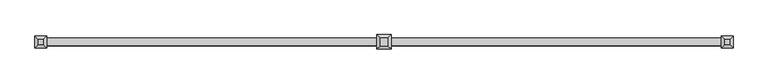
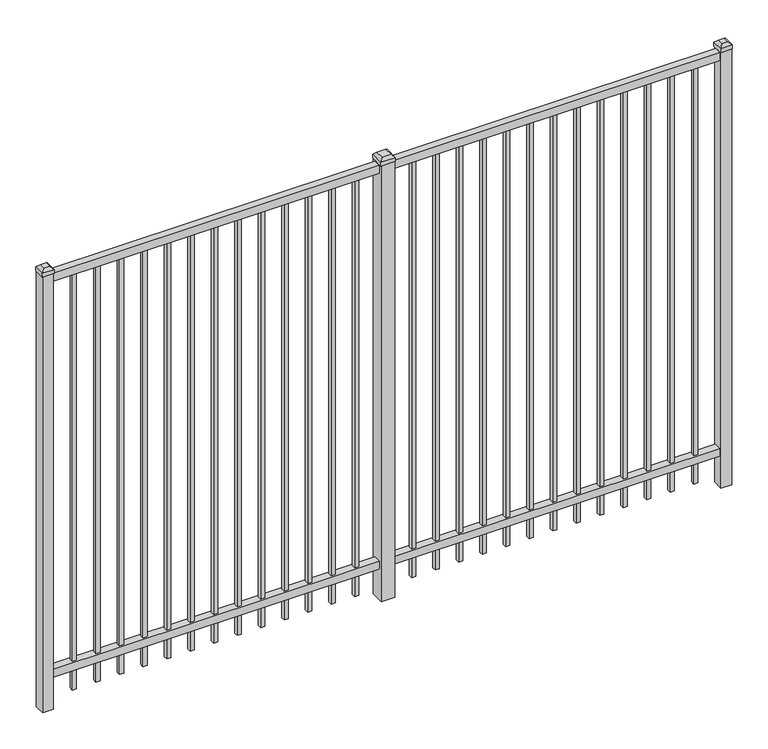
"""IFC4 building model written with IfcOpenShell, lengths in millimetres: railing geometry."""

from ifc_helpers import new_model, si_unit, frame, origin, origin_with_axes, place, context, project, spatial, polyline, outline, extrude, faceted_brep, source, transform, mapped, element, save


def railing_82e2c867(model_context):
    return source(origin(), model_context, "Body", "SolidModel", [
        extrude(outline(polyline([(-61345.318087, 5443.2804826), (-61345.318087, 5478.2054826), (-58195.718087, 5478.2054826), (-58195.718087, 5443.2804826), (-61345.318087, 5443.2804826)])), frame((0.0, 0.0, 2095.5), z_axis=(0.0, 0.0, 1.0), x_axis=(1.0, 0.0, 0.0)), (0.0, 0.0, 1.0), 38.1),
        extrude(outline(polyline([(-61345.318087, 5443.2804826), (-61345.318087, 5478.2054826), (-58195.718087, 5478.2054826), (-58195.718087, 5443.2804826), (-61345.318087, 5443.2804826)])), frame((0.0, 0.0, 152.4), z_axis=(0.0, 0.0, 1.0), x_axis=(1.0, 0.0, 0.0)), (0.0, 0.0, 1.0), 38.1),
        extrude(outline(polyline([(-58427.2285036, 5470.2679826), (-58427.2285036, 5451.2179826), (-58446.2785036, 5451.2179826), (-58446.2785036, 5470.2679826), (-58427.2285036, 5470.2679826)])), frame((0.0, 0.0, 50.8), z_axis=(0.0, 0.0, 1.0), x_axis=(1.0, 0.0, 0.0)), (0.0, 0.0, 1.0), 2044.7),
        extrude(outline(polyline([(-58536.5014203, 5470.2679826), (-58536.5014203, 5451.2179826), (-58555.5514203, 5451.2179826), (-58555.5514203, 5470.2679826), (-58536.5014203, 5470.2679826)])), frame((0.0, 0.0, 50.8), z_axis=(0.0, 0.0, 1.0), x_axis=(1.0, 0.0, 0.0)), (0.0, 0.0, 1.0), 2044.7),
        extrude(outline(polyline([(-58645.774337, 5470.2679826), (-58645.774337, 5451.2179826), (-58664.824337, 5451.2179826), (-58664.824337, 5470.2679826), (-58645.774337, 5470.2679826)])), frame((0.0, 0.0, 50.8), z_axis=(0.0, 0.0, 1.0), x_axis=(1.0, 0.0, 0.0)), (0.0, 0.0, 1.0), 2044.7),
        extrude(outline(polyline([(-58755.0472536, 5470.2679826), (-58755.0472536, 5451.2179826), (-58774.0972536, 5451.2179826), (-58774.0972536, 5470.2679826), (-58755.0472536, 5470.2679826)])), frame((0.0, 0.0, 50.8), z_axis=(0.0, 0.0, 1.0), x_axis=(1.0, 0.0, 0.0)), (0.0, 0.0, 1.0), 2044.7),
        extrude(outline(polyline([(-58864.3201703, 5470.2679826), (-58864.3201703, 5451.2179826), (-58883.3701703, 5451.2179826), (-58883.3701703, 5470.2679826), (-58864.3201703, 5470.2679826)])), frame((0.0, 0.0, 50.8), z_axis=(0.0, 0.0, 1.0), x_axis=(1.0, 0.0, 0.0)), (0.0, 0.0, 1.0), 2044.7),
        extrude(outline(polyline([(-58973.593087, 5470.2679826), (-58973.593087, 5451.2179826), (-58992.643087, 5451.2179826), (-58992.643087, 5470.2679826), (-58973.593087, 5470.2679826)])), frame((0.0, 0.0, 50.8), z_axis=(0.0, 0.0, 1.0), x_axis=(1.0, 0.0, 0.0)), (0.0, 0.0, 1.0), 2044.7),
        extrude(outline(polyline([(-59082.8660036, 5470.2679826), (-59082.8660036, 5451.2179826), (-59101.9160036, 5451.2179826), (-59101.9160036, 5470.2679826), (-59082.8660036, 5470.2679826)])), frame((0.0, 0.0, 50.8), z_axis=(0.0, 0.0, 1.0), x_axis=(1.0, 0.0, 0.0)), (0.0, 0.0, 1.0), 2044.7),
        extrude(outline(polyline([(-59192.1389203, 5470.2679826), (-59192.1389203, 5451.2179826), (-59211.1889203, 5451.2179826), (-59211.1889203, 5470.2679826), (-59192.1389203, 5470.2679826)])), frame((0.0, 0.0, 50.8), z_axis=(0.0, 0.0, 1.0), x_axis=(1.0, 0.0, 0.0)), (0.0, 0.0, 1.0), 2044.7),
        extrude(outline(polyline([(-59301.411837, 5470.2679826), (-59301.411837, 5451.2179826), (-59320.461837, 5451.2179826), (-59320.461837, 5470.2679826), (-59301.411837, 5470.2679826)])), frame((0.0, 0.0, 50.8), z_axis=(0.0, 0.0, 1.0), x_axis=(1.0, 0.0, 0.0)), (0.0, 0.0, 1.0), 2044.7),
        extrude(outline(polyline([(-59410.6847536, 5470.2679826), (-59410.6847536, 5451.2179826), (-59429.7347536, 5451.2179826), (-59429.7347536, 5470.2679826), (-59410.6847536, 5470.2679826)])), frame((0.0, 0.0, 50.8), z_axis=(0.0, 0.0, 1.0), x_axis=(1.0, 0.0, 0.0)), (0.0, 0.0, 1.0), 2044.7),
        extrude(outline(polyline([(-59519.9576703, 5470.2679826), (-59519.9576703, 5451.2179826), (-59539.0076703, 5451.2179826), (-59539.0076703, 5470.2679826), (-59519.9576703, 5470.2679826)])), frame((0.0, 0.0, 50.8), z_axis=(0.0, 0.0, 1.0), x_axis=(1.0, 0.0, 0.0)), (0.0, 0.0, 1.0), 2044.7),
        extrude(outline(polyline([(-58317.955587, 5470.2679826), (-58317.955587, 5451.2179826), (-58337.005587, 5451.2179826), (-58337.005587, 5470.2679826), (-58317.955587, 5470.2679826)])), frame((0.0, 0.0, 50.8), z_axis=(0.0, 0.0, 1.0), x_axis=(1.0, 0.0, 0.0)), (0.0, 0.0, 1.0), 2044.7),
        extrude(outline(polyline([(-59629.230587, 5470.2679826), (-59629.230587, 5451.2179826), (-59648.280587, 5451.2179826), (-59648.280587, 5470.2679826), (-59629.230587, 5470.2679826)])), frame((0.0, 0.0, 50.8), z_axis=(0.0, 0.0, 1.0), x_axis=(1.0, 0.0, 0.0)), (0.0, 0.0, 1.0), 2044.7),
        extrude(outline(polyline([(-59738.768087, 5492.4929826), (-59738.768087, 5428.9929826), (-59802.268087, 5428.9929826), (-59802.268087, 5492.4929826), (-59738.768087, 5492.4929826)])), origin_with_axes(), (0.0, 0.0, 1.0), 2139.95),
        faceted_brep([(-59803.855587, 5494.0804826, 2159.0), (-59803.855587, 5494.0804826, 2139.95), (-59803.855587, 5427.4054826, 2139.95), (-59803.855587, 5427.4054826, 2159.0), (-59791.155587, 5481.3804826, 2171.7), (-59791.155587, 5440.1054826, 2171.7), (-59737.180587, 5427.4054826, 2139.95), (-59737.180587, 5427.4054826, 2159.0), (-59749.880587, 5440.1054826, 2171.7), (-59737.180587, 5494.0804826, 2139.95), (-59737.180587, 5494.0804826, 2159.0), (-59749.880587, 5481.3804826, 2171.7)], [[[0, 1, 2, 3]], [[4, 0, 3, 5]], [[3, 2, 6, 7]], [[5, 3, 7, 8]], [[7, 6, 9, 10]], [[8, 7, 10, 11]], [[10, 9, 1, 0]], [[11, 10, 0, 4]], [[5, 8, 11, 4]], [[1, 9, 6, 2]]]),
        extrude(outline(polyline([(-60002.0285036, 5470.2679826), (-60002.0285036, 5451.2179826), (-60021.0785036, 5451.2179826), (-60021.0785036, 5470.2679826), (-60002.0285036, 5470.2679826)])), frame((0.0, 0.0, 50.8), z_axis=(0.0, 0.0, 1.0), x_axis=(1.0, 0.0, 0.0)), (0.0, 0.0, 1.0), 2044.7),
        extrude(outline(polyline([(-60111.3014203, 5470.2679826), (-60111.3014203, 5451.2179826), (-60130.3514203, 5451.2179826), (-60130.3514203, 5470.2679826), (-60111.3014203, 5470.2679826)])), frame((0.0, 0.0, 50.8), z_axis=(0.0, 0.0, 1.0), x_axis=(1.0, 0.0, 0.0)), (0.0, 0.0, 1.0), 2044.7),
        extrude(outline(polyline([(-60220.574337, 5470.2679826), (-60220.574337, 5451.2179826), (-60239.624337, 5451.2179826), (-60239.624337, 5470.2679826), (-60220.574337, 5470.2679826)])), frame((0.0, 0.0, 50.8), z_axis=(0.0, 0.0, 1.0), x_axis=(1.0, 0.0, 0.0)), (0.0, 0.0, 1.0), 2044.7),
        extrude(outline(polyline([(-60329.8472536, 5470.2679826), (-60329.8472536, 5451.2179826), (-60348.8972536, 5451.2179826), (-60348.8972536, 5470.2679826), (-60329.8472536, 5470.2679826)])), frame((0.0, 0.0, 50.8), z_axis=(0.0, 0.0, 1.0), x_axis=(1.0, 0.0, 0.0)), (0.0, 0.0, 1.0), 2044.7),
        extrude(outline(polyline([(-60439.1201703, 5470.2679826), (-60439.1201703, 5451.2179826), (-60458.1701703, 5451.2179826), (-60458.1701703, 5470.2679826), (-60439.1201703, 5470.2679826)])), frame((0.0, 0.0, 50.8), z_axis=(0.0, 0.0, 1.0), x_axis=(1.0, 0.0, 0.0)), (0.0, 0.0, 1.0), 2044.7),
        extrude(outline(polyline([(-60548.393087, 5470.2679826), (-60548.393087, 5451.2179826), (-60567.443087, 5451.2179826), (-60567.443087, 5470.2679826), (-60548.393087, 5470.2679826)])), frame((0.0, 0.0, 50.8), z_axis=(0.0, 0.0, 1.0), x_axis=(1.0, 0.0, 0.0)), (0.0, 0.0, 1.0), 2044.7),
        extrude(outline(polyline([(-60657.6660036, 5470.2679826), (-60657.6660036, 5451.2179826), (-60676.7160036, 5451.2179826), (-60676.7160036, 5470.2679826), (-60657.6660036, 5470.2679826)])), frame((0.0, 0.0, 50.8), z_axis=(0.0, 0.0, 1.0), x_axis=(1.0, 0.0, 0.0)), (0.0, 0.0, 1.0), 2044.7),
        extrude(outline(polyline([(-60766.9389203, 5470.2679826), (-60766.9389203, 5451.2179826), (-60785.9889203, 5451.2179826), (-60785.9889203, 5470.2679826), (-60766.9389203, 5470.2679826)])), frame((0.0, 0.0, 50.8), z_axis=(0.0, 0.0, 1.0), x_axis=(1.0, 0.0, 0.0)), (0.0, 0.0, 1.0), 2044.7),
        extrude(outline(polyline([(-60876.211837, 5470.2679826), (-60876.211837, 5451.2179826), (-60895.261837, 5451.2179826), (-60895.261837, 5470.2679826), (-60876.211837, 5470.2679826)])), frame((0.0, 0.0, 50.8), z_axis=(0.0, 0.0, 1.0), x_axis=(1.0, 0.0, 0.0)), (0.0, 0.0, 1.0), 2044.7),
        extrude(outline(polyline([(-60985.4847536, 5470.2679826), (-60985.4847536, 5451.2179826), (-61004.5347536, 5451.2179826), (-61004.5347536, 5470.2679826), (-60985.4847536, 5470.2679826)])), frame((0.0, 0.0, 50.8), z_axis=(0.0, 0.0, 1.0), x_axis=(1.0, 0.0, 0.0)), (0.0, 0.0, 1.0), 2044.7),
        extrude(outline(polyline([(-61094.7576703, 5470.2679826), (-61094.7576703, 5451.2179826), (-61113.8076703, 5451.2179826), (-61113.8076703, 5470.2679826), (-61094.7576703, 5470.2679826)])), frame((0.0, 0.0, 50.8), z_axis=(0.0, 0.0, 1.0), x_axis=(1.0, 0.0, 0.0)), (0.0, 0.0, 1.0), 2044.7),
        extrude(outline(polyline([(-59892.755587, 5470.2679826), (-59892.755587, 5451.2179826), (-59911.805587, 5451.2179826), (-59911.805587, 5470.2679826), (-59892.755587, 5470.2679826)])), frame((0.0, 0.0, 50.8), z_axis=(0.0, 0.0, 1.0), x_axis=(1.0, 0.0, 0.0)), (0.0, 0.0, 1.0), 2044.7),
        extrude(outline(polyline([(-61204.030587, 5470.2679826), (-61204.030587, 5451.2179826), (-61223.080587, 5451.2179826), (-61223.080587, 5470.2679826), (-61204.030587, 5470.2679826)])), frame((0.0, 0.0, 50.8), z_axis=(0.0, 0.0, 1.0), x_axis=(1.0, 0.0, 0.0)), (0.0, 0.0, 1.0), 2044.7),
        extrude(outline(polyline([(-58170.318087, 5486.1429826), (-58170.318087, 5435.3429826), (-58221.118087, 5435.3429826), (-58221.118087, 5486.1429826), (-58170.318087, 5486.1429826)])), origin_with_axes(), (0.0, 0.0, 1.0), 2139.95),
        faceted_brep([(-58222.705587, 5487.7304826, 2159.0), (-58222.705587, 5487.7304826, 2139.95), (-58222.705587, 5433.7554826, 2139.95), (-58222.705587, 5433.7554826, 2159.0), (-58210.005587, 5475.0304826, 2171.7), (-58210.005587, 5446.4554826, 2171.7), (-58168.730587, 5433.7554826, 2139.95), (-58168.730587, 5433.7554826, 2159.0), (-58181.430587, 5446.4554826, 2171.7), (-58168.730587, 5487.7304826, 2139.95), (-58168.730587, 5487.7304826, 2159.0), (-58181.430587, 5475.0304826, 2171.7)], [[[0, 1, 2, 3]], [[4, 0, 3, 5]], [[3, 2, 6, 7]], [[5, 3, 7, 8]], [[7, 6, 9, 10]], [[8, 7, 10, 11]], [[10, 9, 1, 0]], [[11, 10, 0, 4]], [[5, 8, 11, 4]], [[1, 9, 6, 2]]]),
        extrude(outline(polyline([(-61319.918087, 5486.1429826), (-61319.918087, 5435.3429826), (-61370.718087, 5435.3429826), (-61370.718087, 5486.1429826), (-61319.918087, 5486.1429826)])), origin_with_axes(), (0.0, 0.0, 1.0), 2139.95),
        faceted_brep([(-61372.305587, 5487.7304826, 2159.0), (-61372.305587, 5487.7304826, 2139.95), (-61372.305587, 5433.7554826, 2139.95), (-61372.305587, 5433.7554826, 2159.0), (-61359.605587, 5475.0304826, 2171.7), (-61359.605587, 5446.4554826, 2171.7), (-61318.330587, 5433.7554826, 2139.95), (-61318.330587, 5433.7554826, 2159.0), (-61331.030587, 5446.4554826, 2171.7), (-61318.330587, 5487.7304826, 2139.95), (-61318.330587, 5487.7304826, 2159.0), (-61331.030587, 5475.0304826, 2171.7)], [[[0, 1, 2, 3]], [[4, 0, 3, 5]], [[3, 2, 6, 7]], [[5, 3, 7, 8]], [[7, 6, 9, 10]], [[8, 7, 10, 11]], [[10, 9, 1, 0]], [[11, 10, 0, 4]], [[5, 8, 11, 4]], [[1, 9, 6, 2]]]),
    ])


if __name__ == "__main__":
    model = new_model("IFC4")
    model_context = context("Model", 3, world=origin())
    ifc_project = project(units=[si_unit("LENGTHUNIT", "METRE", prefix="MILLI")], contexts=[model_context])
    site = spatial("IfcSite", under=ifc_project)
    building = spatial("IfcBuilding", under=site)
    placement = place(None, origin())
    railing_shape = railing_82e2c867(model_context)
    element("IfcRailing", 1, at=placement, inside=building, context=model_context, shape_type="MappedRepresentation", body=[
        mapped(railing_shape, transform((0.0, 0.0, 0.0), x_axis=(1.0, 0.0, 0.0), y_axis=(0.0, 1.0, 0.0), z_axis=(0.0, 0.0, 1.0))),
    ])
    save(model, "model.ifc")
